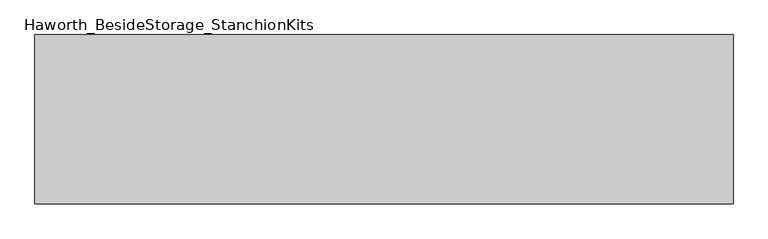
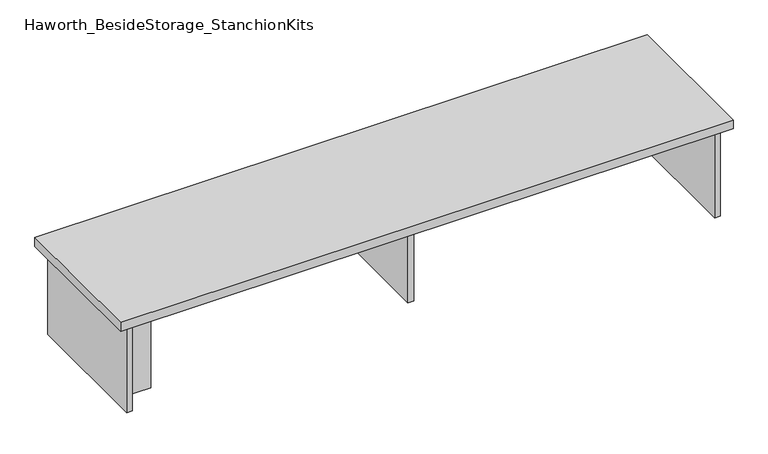
"""IFC4 building model written with IfcOpenShell, lengths in millimetres: furniture geometry, Haworth_BesideStorage_StanchionKits."""

import ifcopenshell
import ifcopenshell.guid

model = None  # the IFC model being written
_history = None  # IfcOwnerHistory: only IFC2X3 demands one
_inside = {}  # id of a spatial element -> (the spatial element, [elements in it])
_under = {}  # id of a project, library or spatial element -> (it, [spatial elements below it])
_declared = {}  # id of a project -> (the project, [libraries it declares])
_typed = {}  # id of a type object -> (the type object, [elements of that type])
_made_of = {}  # id of a material, layer set ... -> (it, [elements and type objects made of it])


def new_model(schema):
    """Start an empty IFC model of exactly this schema.

    Asked for "IFC4X3", IfcOpenShell would pick the latest addendum, in which some entities
    have other attributes; the version numbers below select the first issue.
    IFC2X3 requires an IfcOwnerHistory on every rooted entity: one is made here for all.
    """
    global model, _history
    if schema == "IFC4X3":
        model = ifcopenshell.file(schema_version=(4, 3, 0, 0))
    else:
        model = ifcopenshell.file(schema=schema)
    _inside.clear()
    _under.clear()
    _declared.clear()
    _typed.clear()
    _made_of.clear()
    _history = None
    if model.schema == "IFC2X3":
        org = make("IfcOrganization", Name="unknown")
        user = make(
            "IfcPersonAndOrganization",
            ThePerson=make("IfcPerson", FamilyName="unknown"),
            TheOrganization=org,
        )
        app = make(
            "IfcApplication",
            ApplicationDeveloper=org,
            Version="unknown",
            ApplicationFullName="unknown",
            ApplicationIdentifier="unknown",
        )
        _history = make(
            "IfcOwnerHistory",
            OwningUser=user,
            OwningApplication=app,
            ChangeAction="ADDED",
            CreationDate=0,
        )
    return model


def make(cls, **values):
    """One entity of the class cls with the attributes given. An attribute that is None is left unset."""
    return model.create_entity(
        cls, **{name: value for name, value in values.items() if value is not None}
    )


def rooted(cls, **values):
    """An entity with a GlobalId (a new one), such as an element, a storey or a relation."""
    return make(cls, GlobalId=ifcopenshell.guid.new(), OwnerHistory=_history, **values)


def si_unit(unit_type, name, prefix=None):
    """IfcSIUnit, for example si_unit("LENGTHUNIT", "METRE", prefix="MILLI")."""
    return make("IfcSIUnit", UnitType=unit_type, Prefix=prefix, Name=name)


def assignment(units):
    """IfcUnitAssignment: the units of a project."""
    return None if units is None else make("IfcUnitAssignment", Units=units)


def point(xyz):
    """IfcCartesianPoint."""
    return None if xyz is None else make("IfcCartesianPoint", Coordinates=xyz)


def direction(xyz):
    """IfcDirection."""
    return None if xyz is None else make("IfcDirection", DirectionRatios=xyz)


def frame(location, z_axis=None, x_axis=None):
    """IfcAxis2Placement3D, a coordinate frame: its origin and axes. An axis left out is left unset."""
    return make(
        "IfcAxis2Placement3D",
        Location=point(location),
        Axis=direction(z_axis),
        RefDirection=direction(x_axis),
    )


def origin():
    """The frame at (0, 0, 0) with its axes left unset."""
    return frame((0.0, 0.0, 0.0))


def place(relative_to, where):
    """IfcLocalPlacement: puts the frame where relative to a parent placement (None: the world)."""
    return make(
        "IfcLocalPlacement", PlacementRelTo=relative_to, RelativePlacement=where
    )


def context(
    kind, dimensions, precision=None, world=None, true_north=None, identifier=None
):
    """IfcGeometricRepresentationContext, for example the 3D "Model" context."""
    return make(
        "IfcGeometricRepresentationContext",
        ContextIdentifier=identifier,
        ContextType=kind,
        CoordinateSpaceDimension=dimensions,
        Precision=precision,
        WorldCoordinateSystem=world,
        TrueNorth=true_north,
    )


def project(units=None, contexts=None):
    """IfcProject with its units and contexts."""
    return rooted(
        "IfcProject",
        Name="project",
        RepresentationContexts=contexts,
        UnitsInContext=assignment(units),
    )


def spatial(cls, under=None, at=None, **own):
    """A site, building, storey or space (cls), placed at a placement, below another one or the project."""
    s = rooted(cls, ObjectPlacement=at, **own)
    if under is not None:
        _under.setdefault(under.id(), (under, []))[1].append(s)
    return s


def polyline(points):
    """IfcPolyline through the points."""
    return make("IfcPolyline", Points=[point(p) for p in points])


def outline(outer, holes=None, kind="AREA"):
    """IfcArbitraryClosedProfileDef: a profile drawn as a closed curve; with holes, ...WithVoids."""
    if holes is None:
        return make("IfcArbitraryClosedProfileDef", ProfileType=kind, OuterCurve=outer)
    return make(
        "IfcArbitraryProfileDefWithVoids",
        ProfileType=kind,
        OuterCurve=outer,
        InnerCurves=holes,
    )


def extrude(swept, where, along, depth):
    """IfcExtrudedAreaSolid: the profile swept, set in the frame where, extruded along a direction by depth."""
    return make(
        "IfcExtrudedAreaSolid",
        SweptArea=swept,
        Position=where,
        ExtrudedDirection=direction(along),
        Depth=depth,
    )


def shape(context_of_items, identifier, shape_type, items):
    """IfcShapeRepresentation: the items that make up one representation, for example the "Body"."""
    return make(
        "IfcShapeRepresentation",
        ContextOfItems=context_of_items,
        RepresentationIdentifier=identifier,
        RepresentationType=shape_type,
        Items=items,
    )


def source(mapping_origin, context_of_items, identifier, shape_type, items):
    """IfcRepresentationMap: a shape defined once, which mapped items show again and again."""
    return make(
        "IfcRepresentationMap",
        MappingOrigin=mapping_origin,
        MappedRepresentation=shape(context_of_items, identifier, shape_type, items),
    )


def transform(
    local_origin,
    x_axis=None,
    y_axis=None,
    z_axis=None,
    scale=None,
    scale2=None,
    scale3=None,
    uniform=True,
):
    """IfcCartesianTransformationOperator3D, or its non-uniform kind. x_axis, y_axis, z_axis: its Axis1, 2, 3."""
    if uniform:
        return make(
            "IfcCartesianTransformationOperator3D",
            Axis1=direction(x_axis),
            Axis2=direction(y_axis),
            LocalOrigin=point(local_origin),
            Scale=scale,
            Axis3=direction(z_axis),
        )
    return make(
        "IfcCartesianTransformationOperator3DnonUniform",
        Axis1=direction(x_axis),
        Axis2=direction(y_axis),
        LocalOrigin=point(local_origin),
        Scale=scale,
        Axis3=direction(z_axis),
        Scale2=scale2,
        Scale3=scale3,
    )


def mapped(mapping_source, mapping_target):
    """IfcMappedItem: shows the shape of a source again, moved by a transform."""
    return make(
        "IfcMappedItem", MappingSource=mapping_source, MappingTarget=mapping_target
    )


def made_of(thing, what):
    """Note that an element or type object is made of a material, layer set ...; save() writes the relation."""
    if what is not None:
        _made_of.setdefault(what.id(), (what, []))[1].append(thing)
    return thing


def element(
    cls,
    number,
    at=None,
    inside=None,
    cuts=None,
    type_object=None,
    material=None,
    context=None,
    identifier="Body",
    shape_type=None,
    held_by="IfcProductDefinitionShape",
    body=None,
    shapes=None,
    **own,
):
    """One element of the class cls, such as IfcWall. Its Tag is "e" and its number.

    at: its placement. inside: the storey or other place that contains it. cuts: it is an
    opening in that element (IfcRelVoidsElement). A single representation is given by context,
    identifier, shape_type and body (its items); several are given by shapes. held_by: the class
    of the entity that holds the representations. save() writes the other relations.
    """
    e = rooted(cls, Tag="e%d" % number, ObjectPlacement=at, **own)
    if body is not None:
        shapes = [shape(context, identifier, shape_type, body)]
    if shapes is not None:
        e.Representation = make(held_by, Representations=shapes)
    if inside is not None:
        _inside.setdefault(inside.id(), (inside, []))[1].append(e)
    if cuts is not None:
        rooted(
            "IfcRelVoidsElement", RelatingBuildingElement=cuts, RelatedOpeningElement=e
        )
    if type_object is not None:
        _typed.setdefault(type_object.id(), (type_object, []))[1].append(e)
    return made_of(e, material)


def aggregate(whole, parts):
    """IfcRelAggregates: a whole, such as a stair, and the parts it consists of."""
    return rooted("IfcRelAggregates", RelatingObject=whole, RelatedObjects=parts)


def save(model, path):
    """Write the relations noted so far, then the file.

    IfcRelAggregates (storeys below a building ...), IfcRelContainedInSpatialStructure (elements
    in a storey), IfcRelDefinesByType, IfcRelAssociatesMaterial and IfcRelDeclares: one each for
    every whole, place, type object, material and project.
    """
    for whole, parts in _under.values():
        aggregate(whole, parts)
    for where, things in _inside.values():
        rooted(
            "IfcRelContainedInSpatialStructure",
            RelatedElements=things,
            RelatingStructure=where,
        )
    for kind, things in _typed.values():
        rooted("IfcRelDefinesByType", RelatedObjects=things, RelatingType=kind)
    for what, things in _made_of.values():
        rooted("IfcRelAssociatesMaterial", RelatedObjects=things, RelatingMaterial=what)
    for by, libraries in _declared.values():
        rooted("IfcRelDeclares", RelatingContext=by, RelatedDefinitions=libraries)
    model.write(path)


def haworth_besidestorage_stanchionkits_128d1335(model_context):
    return source(origin(), model_context, "Body", "SweptSolid", [
        extrude(outline(polyline([(1000.125, 0.0), (1000.125, -406.4), (-676.275, -406.4), (-676.275, 0.0), (1000.125, 0.0)])), frame((0.0, 0.0, 685.8), z_axis=(0.0, 0.0, 1.0), x_axis=(1.0, 0.0, 0.0)), (0.0, 0.0, 1.0), 25.4),
        extrude(outline(polyline([(873.125, -76.2), (958.85, -76.2), (958.85, -92.075), (873.125, -92.075), (873.125, -76.2)])), frame((0.0, 0.0, 431.8), z_axis=(0.0, 0.0, 1.0), x_axis=(1.0, 0.0, 0.0)), (0.0, 0.0, 1.0), 254.0),
        extrude(outline(polyline([(-549.275, -314.325), (-549.275, -330.2), (-635.0, -330.2), (-635.0, -314.325), (-549.275, -314.325)])), frame((0.0, 0.0, 431.8), z_axis=(0.0, 0.0, 1.0), x_axis=(1.0, 0.0, 0.0)), (0.0, 0.0, 1.0), 254.0),
        extrude(outline(polyline([(169.8625, -330.2), (153.9875, -330.2), (153.9875, -76.2), (169.8625, -76.2), (169.8625, -330.2)])), frame((0.0, 0.0, 431.8), z_axis=(0.0, 0.0, 1.0), x_axis=(1.0, 0.0, 0.0)), (0.0, 0.0, 1.0), 254.0),
        extrude(outline(polyline([(974.725, -390.525), (958.85, -390.525), (958.85, -15.875), (974.725, -15.875), (974.725, -390.525)])), frame((0.0, 0.0, 431.8), z_axis=(0.0, 0.0, 1.0), x_axis=(1.0, 0.0, 0.0)), (0.0, 0.0, 1.0), 254.0),
        extrude(outline(polyline([(-635.0, -390.525), (-650.875, -390.525), (-650.875, -15.875), (-635.0, -15.875), (-635.0, -390.525)])), frame((0.0, 0.0, 431.8), z_axis=(0.0, 0.0, 1.0), x_axis=(1.0, 0.0, 0.0)), (0.0, 0.0, 1.0), 254.0),
    ])


if __name__ == "__main__":
    model = new_model("IFC4")
    model_context = context("Model", 3, world=origin())
    ifc_project = project(units=[si_unit("LENGTHUNIT", "METRE", prefix="MILLI")], contexts=[model_context])
    site = spatial("IfcSite", under=ifc_project)
    building = spatial("IfcBuilding", under=site)
    placement = place(None, origin())
    haworth_besidestorage_stanchionkits_shape = haworth_besidestorage_stanchionkits_128d1335(model_context)
    element("IfcFurniture", 1, ObjectType="Haworth_BesideStorage_StanchionKits", at=placement, inside=building, context=model_context, shape_type="MappedRepresentation", body=[
        mapped(haworth_besidestorage_stanchionkits_shape, transform((0.0, 0.0, 0.0), x_axis=(1.0, 0.0, 0.0), y_axis=(0.0, 1.0, 0.0), z_axis=(0.0, 0.0, 1.0))),
    ])
    save(model, "model.ifc")
